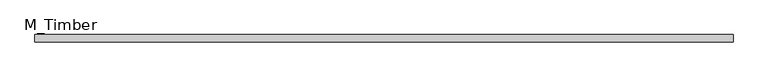
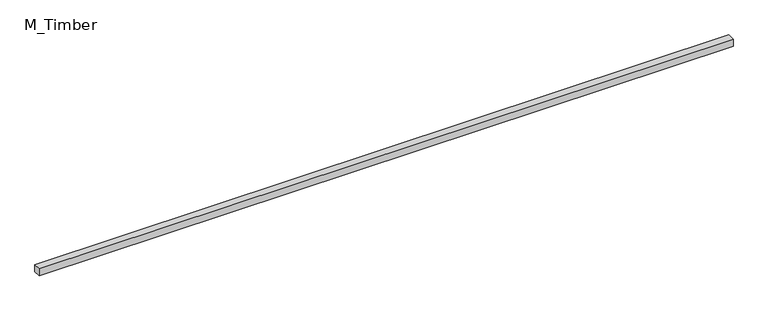
"""IFC4 building model written with IfcOpenShell, lengths in millimetres: beam geometry, M_Timber."""

from ifc_helpers import new_model, si_unit, frame, origin, place, context, project, spatial, polyline, outline, extrude, source, transform, mapped, element, save


def m_timber_6cb795e5(model_context):
    return source(origin(), model_context, "Body", "SweptSolid", [
        extrude(outline(polyline([(1894.6912864, 20.0), (1894.6912864, -20.0), (-1894.6912864, -20.0), (-1894.6912864, 20.0), (1894.6912864, 20.0)])), frame((0.0, 0.0, -20.0), z_axis=(0.0, 0.0, 1.0), x_axis=(1.0, 0.0, 0.0)), (0.0, 0.0, 1.0), 40.0),
    ])


if __name__ == "__main__":
    model = new_model("IFC4")
    model_context = context("Model", 3, world=origin())
    ifc_project = project(units=[si_unit("LENGTHUNIT", "METRE", prefix="MILLI")], contexts=[model_context])
    site = spatial("IfcSite", under=ifc_project)
    building = spatial("IfcBuilding", under=site)
    placement = place(None, origin())
    m_timber_shape = m_timber_6cb795e5(model_context)
    element("IfcBeam", 1, ObjectType="M_Timber", at=placement, inside=building, context=model_context, shape_type="MappedRepresentation", body=[
        mapped(m_timber_shape, transform((0.0, 0.0, 0.0), x_axis=(1.0, 0.0, 0.0), y_axis=(0.0, 1.0, 0.0), z_axis=(0.0, 0.0, 1.0))),
    ])
    save(model, "model.ifc")
